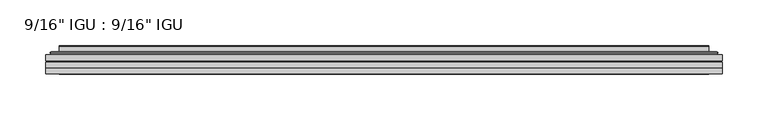
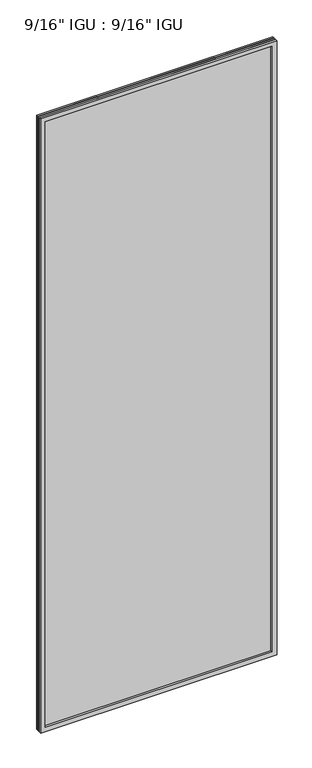
"""IFC4 building model written with IfcOpenShell, lengths in millimetres: plate geometry."""

from ifc_helpers import new_model, si_unit, frame, origin, place, context, project, spatial, polyline, ellipse_curve, outline, extrude, faceted_brep, source, transform, mapped, element, save
from ifc_brep_helpers import plane_surface, cylinder_surface, advanced_brep


def plate_0af74e0e(model_context):
    return source(origin(), model_context, "Body", "SolidModel", [
        extrude(outline(polyline([(368.3609066, -54.78145), (368.3609066, -61.1317818), (-368.3467316, -61.1317818), (-368.3467316, -54.78145), (368.3609066, -54.78145)])), frame((0.0, 0.0, -14.2875), z_axis=(0.0, 0.0, 1.0), x_axis=(1.0, 0.0, 0.0)), (0.0, 0.0, 1.0), 2022.4787979),
        extrude(outline(polyline([(-368.3467316, -69.05625), (-368.3467316, -62.705745), (368.3609066, -62.705745), (368.3609066, -69.05625), (-368.3467316, -69.05625)])), frame((0.0, 0.0, -14.2875), z_axis=(0.0, 0.0, 1.0), x_axis=(1.0, 0.0, 0.0)), (0.0, 0.0, 1.0), 2022.4787979),
        faceted_brep([(-368.3594316, -75.40625, 2008.2002), (-368.3594316, -69.05625, 2008.2002), (-368.3594316, -69.05625, -14.3002), (-368.3594316, -75.40625, -14.3002), (368.3594316, -69.05625, -14.3002), (368.3594316, -75.40625, -14.3002), (368.3594316, -69.05625, 2008.2002), (368.3594316, -75.40625, 2008.2002), (-353.1614875, -69.05625, 0.8977441), (353.1614875, -69.05625, 0.8977441), (353.1614875, -69.05625, 1993.0022559), (-353.1614875, -69.05625, 1993.0022559), (-354.0539218, -75.40625, 1993.8946902), (354.0539218, -75.40625, 1993.8946902), (354.0539218, -75.40625, 0.0053098), (-354.0539218, -75.40625, 0.0053098)], [[[0, 1, 2, 3]], [[3, 2, 4, 5]], [[5, 4, 6, 7]], [[1, 6, 4, 2], [8, 9, 10, 11]], [[7, 6, 1, 0]], [[3, 5, 7, 0], [12, 13, 14, 15]], [[11, 12, 15, 8]], [[8, 15, 14, 9]], [[9, 14, 13, 10]], [[10, 13, 12, 11]]]),
        advanced_brep(
        [(-361.1054507, -54.78145, 2000.946219), (-363.459656, -52.7917833, 2003.3004244), (-363.459656, -52.7917833, -9.4004244), (-361.1054507, -54.78145, -7.046219), (-352.0311255, -50.941413, 1991.8718939), (-347.0962937, -54.78145, 1986.9370621), (-347.0962937, -54.78145, 6.9629379), (-352.0311255, -50.941413, 2.0281061), (-353.0631533, -45.5441819, 1992.9039217), (-353.0631533, -45.5441819, 0.9960783), (-354.0538101, -45.1452069, 1993.8945784), (-354.0538101, -45.1452069, 0.0054216), (-354.0538101, -51.60645, 1993.8945784), (-354.0538101, -51.60645, 0.0054216), (-362.4578665, -51.60645, 2002.2986349), (-362.4578665, -51.60645, -8.3986349), (363.459656, -52.7917833, -9.4004244), (361.1054507, -54.78145, -7.046219), (347.0962937, -54.78145, 6.9629379), (352.0311255, -50.941413, 2.0281061), (353.0631533, -45.5441819, 0.9960783), (354.0538101, -45.1452069, 0.0054216), (354.0538101, -51.60645, 0.0054216), (362.4578665, -51.60645, -8.3986349), (363.459656, -52.7917833, 2003.3004244), (361.1054507, -54.78145, 2000.946219), (347.0962937, -54.78145, 1986.9370621), (352.0311255, -50.941413, 1991.8718939), (353.0631533, -45.5441819, 1992.9039217), (354.0538101, -45.1452069, 1993.8945784), (354.0538101, -51.60645, 1993.8945784), (362.4578665, -51.60645, 2002.2986349)],
        [
            (0, 1, ellipse_curve(frame((-361.1054507, -52.39385, 2000.946219), z_axis=(-0.7071067811865475, 0.0, -0.7071067811865475), x_axis=(-0.7071067811865474, 0.0, 0.7071067811865476)), 3.3765763, 2.3876)),
            (1, 2),
            (2, 3, ellipse_curve(frame((-361.1054507, -52.39385, -7.046219), z_axis=(-0.7071067811865475, 0.0, 0.7071067811865475), x_axis=(0.7071067811865474, 0.0, 0.7071067811865476)), 3.3765763, 2.3876)),
            (3, 0),
            (4, 5),
            (5, 6),
            (6, 7),
            (7, 4),
            (8, 4),
            (7, 9),
            (9, 8),
            (10, 8, ellipse_curve(frame((-353.6868535, -45.6634423, 1993.5276219), z_axis=(-0.7071067811865475, 0.0, -0.7071067811865475), x_axis=(-0.7071067811865474, 0.0, 0.7071067811865476)), 0.8980256, 0.635)),
            (9, 11, ellipse_curve(frame((-353.6868535, -45.6634423, 0.3723781), z_axis=(-0.7071067811865475, 0.0, 0.7071067811865475), x_axis=(0.7071067811865474, 0.0, 0.7071067811865476)), 0.8980256, 0.635)),
            (11, 10),
            (12, 10),
            (11, 13),
            (13, 12),
            (1, 14, ellipse_curve(frame((-362.4578665, -52.62245, 2002.2986349), z_axis=(-0.7071067811865475, 0.0, -0.7071067811865475), x_axis=(-0.7071067811865474, 0.0, 0.7071067811865476)), 1.436841, 1.016)),
            (14, 15),
            (15, 2, ellipse_curve(frame((-362.4578665, -52.62245, -8.3986349), z_axis=(-0.7071067811865475, 0.0, 0.7071067811865475), x_axis=(0.7071067811865474, 0.0, 0.7071067811865476)), 1.436841, 1.016)),
            (2, 16),
            (16, 17, ellipse_curve(frame((361.1054507, -52.39385, -7.046219), z_axis=(-0.7071067811865475, 0.0, -0.7071067811865475), x_axis=(-0.7071067811865476, 0.0, 0.7071067811865474)), 3.3765763, 2.3876)),
            (17, 3),
            (6, 18),
            (18, 19),
            (19, 7),
            (19, 20),
            (20, 9),
            (20, 21, ellipse_curve(frame((353.6868535, -45.6634423, 0.3723781), z_axis=(-0.7071067811865475, 0.0, -0.7071067811865475), x_axis=(-0.7071067811865476, 0.0, 0.7071067811865474)), 0.8980256, 0.635)),
            (21, 11),
            (21, 22),
            (22, 13),
            (15, 23),
            (23, 16, ellipse_curve(frame((362.4578665, -52.62245, -8.3986349), z_axis=(-0.7071067811865475, 0.0, -0.7071067811865475), x_axis=(-0.7071067811865476, 0.0, 0.7071067811865474)), 1.436841, 1.016)),
            (16, 24),
            (24, 25, ellipse_curve(frame((361.1054507, -52.39385, 2000.946219), z_axis=(0.7071067811865475, 0.0, -0.7071067811865475), x_axis=(-0.7071067811865474, 0.0, -0.7071067811865476)), 3.3765763, 2.3876)),
            (25, 17),
            (18, 26),
            (26, 27),
            (27, 19),
            (27, 28),
            (28, 20),
            (28, 29, ellipse_curve(frame((353.6868535, -45.6634423, 1993.5276219), z_axis=(0.7071067811865475, 0.0, -0.7071067811865475), x_axis=(-0.7071067811865474, 0.0, -0.7071067811865476)), 0.8980256, 0.635)),
            (29, 21),
            (29, 30),
            (30, 22),
            (23, 31),
            (31, 24, ellipse_curve(frame((362.4578665, -52.62245, 2002.2986349), z_axis=(0.7071067811865475, 0.0, -0.7071067811865475), x_axis=(-0.7071067811865474, 0.0, -0.7071067811865476)), 1.436841, 1.016)),
            (24, 1),
            (0, 25),
            (5, 26),
            (4, 27),
            (8, 28),
            (10, 29),
            (12, 30),
            (14, 31),
        ],
        [
            cylinder_surface(frame((-361.1054507, -52.39385, 2025.65), z_axis=(0.0, 0.0, 1.0), x_axis=(-1.0, 0.0, 0.0)), 2.3876),
            plane_surface(frame((-347.0962937, -54.78145, 1986.9370621), z_axis=(0.6141233906514794, 0.7892100234124821, 0.0), x_axis=(0.0, 0.0, -1.0))),
            plane_surface(frame((-352.0311255, -50.941413, 1991.8718939), z_axis=(0.9822050625507728, 0.18781164793386088, 0.0), x_axis=(0.0, 0.0, -1.0))),
            cylinder_surface(frame((-353.6868535, -45.6634423, 2025.65), z_axis=(0.0, 0.0, 1.0), x_axis=(-1.0, 0.0, 0.0)), 0.635),
            plane_surface(frame((-354.0538101, -45.1452069, 1993.8945784), z_axis=(-1.0, 0.0, 0.0), x_axis=(0.0, 0.0, -1.0))),
            cylinder_surface(frame((-362.4578665, -52.62245, 2025.65), z_axis=(0.0, 0.0, 1.0), x_axis=(-1.0, 0.0, 0.0)), 1.016),
            cylinder_surface(frame((-385.8092316, -52.39385, -7.046219), z_axis=(-1.0, 0.0, 0.0), x_axis=(0.0, 0.0, -1.0)), 2.3876),
            plane_surface(frame((-347.0962937, -54.78145, 6.9629379), z_axis=(0.0, 0.7892100234124841, 0.6141233906514768), x_axis=(1.0, 0.0, 0.0))),
            plane_surface(frame((-352.0311255, -50.941413, 2.0281061), z_axis=(0.0, 0.18781164793386404, 0.9822050625507722), x_axis=(1.0, 0.0, 0.0))),
            cylinder_surface(frame((-385.8092316, -45.6634423, 0.3723781), z_axis=(-1.0, 0.0, 0.0), x_axis=(0.0, 0.0, -1.0)), 0.635),
            plane_surface(frame((-354.0538101, -45.1452069, 0.0054216), z_axis=(0.0, 0.0, -1.0), x_axis=(1.0, 0.0, 0.0))),
            cylinder_surface(frame((-385.8092316, -52.62245, -8.3986349), z_axis=(-1.0, 0.0, 0.0), x_axis=(0.0, 0.0, -1.0)), 1.016),
            cylinder_surface(frame((361.1054507, -52.39385, -31.75), z_axis=(0.0, 0.0, -1.0), x_axis=(1.0, 0.0, 0.0)), 2.3876),
            plane_surface(frame((347.0962937, -54.78145, 6.9629379), z_axis=(-0.6141233906514743, 0.7892100234124861, 0.0), x_axis=(0.0, 0.0, 1.0))),
            plane_surface(frame((352.0311255, -50.941413, 2.0281061), z_axis=(-0.9822050625507717, 0.1878116479338672, 0.0), x_axis=(0.0, 0.0, 1.0))),
            cylinder_surface(frame((353.6868535, -45.6634423, -31.75), z_axis=(0.0, 0.0, -1.0), x_axis=(1.0, 0.0, 0.0)), 0.635),
            plane_surface(frame((354.0538101, -45.1452069, 0.0054216), z_axis=(1.0, 0.0, 0.0), x_axis=(0.0, 0.0, 1.0))),
            cylinder_surface(frame((362.4578665, -52.62245, -31.75), z_axis=(0.0, 0.0, -1.0), x_axis=(1.0, 0.0, 0.0)), 1.016),
            cylinder_surface(frame((385.8092316, -52.39385, 2000.946219), z_axis=(1.0, 0.0, 0.0), x_axis=(0.0, 0.0, 1.0)), 2.3876),
            plane_surface(frame((361.1054507, -54.78145, 2000.946219), z_axis=(0.0, -1.0, 0.0), x_axis=(-1.0, 0.0, 0.0))),
            plane_surface(frame((347.0962937, -54.78145, 1986.9370621), z_axis=(0.0, 0.7892100234124841, -0.6141233906514768), x_axis=(-1.0, 0.0, 0.0))),
            plane_surface(frame((352.0311255, -50.941413, 1991.8718939), z_axis=(0.0, 0.18781164793386404, -0.9822050625507722), x_axis=(-1.0, 0.0, 0.0))),
            cylinder_surface(frame((385.8092316, -45.6634423, 1993.5276219), z_axis=(1.0, 0.0, 0.0), x_axis=(0.0, 0.0, 1.0)), 0.635),
            plane_surface(frame((354.0538101, -45.1452069, 1993.8945784), z_axis=(0.0, 0.0, 1.0), x_axis=(-1.0, 0.0, 0.0))),
            plane_surface(frame((354.0538101, -51.60645, 1993.8945784), z_axis=(0.0, 1.0, 0.0), x_axis=(-1.0, 0.0, 0.0))),
            cylinder_surface(frame((385.8092316, -52.62245, 2002.2986349), z_axis=(1.0, 0.0, 0.0), x_axis=(0.0, 0.0, 1.0)), 1.016),
        ],
        [
            (0, [[1, 2, 3, 4]]),
            (1, [[5, 6, 7, 8]]),
            (2, [[9, -8, 10, 11]]),
            (3, [[12, -11, 13, 14]]),
            (4, [[15, -14, 16, 17]]),
            (5, [[18, 19, 20, -2]]),
            (6, [[-3, 21, 22, 23]]),
            (7, [[-7, 24, 25, 26]]),
            (8, [[-10, -26, 27, 28]]),
            (9, [[-13, -28, 29, 30]]),
            (10, [[-16, -30, 31, 32]]),
            (11, [[-20, 33, 34, -21]]),
            (12, [[-22, 35, 36, 37]]),
            (13, [[-25, 38, 39, 40]]),
            (14, [[-27, -40, 41, 42]]),
            (15, [[-29, -42, 43, 44]]),
            (16, [[-31, -44, 45, 46]]),
            (17, [[-34, 47, 48, -35]]),
            (18, [[-36, 49, -1, 50]]),
            (19, [[-23, -37, -50, -4], [51, -38, -24, -6]]),
            (20, [[-39, -51, -5, 52]]),
            (21, [[-41, -52, -9, 53]]),
            (22, [[-43, -53, -12, 54]]),
            (23, [[-45, -54, -15, 55]]),
            (24, [[56, -47, -33, -19], [-32, -46, -55, -17]]),
            (25, [[-48, -56, -18, -49]]),
        ],
    ),
    ])


if __name__ == "__main__":
    model = new_model("IFC4")
    model_context = context("Model", 3, world=origin())
    ifc_project = project(units=[si_unit("LENGTHUNIT", "METRE", prefix="MILLI")], contexts=[model_context])
    site = spatial("IfcSite", under=ifc_project)
    building = spatial("IfcBuilding", under=site)
    placement = place(None, origin())
    plate_shape = plate_0af74e0e(model_context)
    element("IfcPlate", 1, ObjectType="9/16\" IGU : 9/16\" IGU", at=placement, inside=building, context=model_context, shape_type="MappedRepresentation", body=[
        mapped(plate_shape, transform((0.0, 0.0, 0.0), x_axis=(1.0, 0.0, 0.0), y_axis=(0.0, 1.0, 0.0), z_axis=(0.0, 0.0, 1.0))),
    ])
    save(model, "model.ifc")
